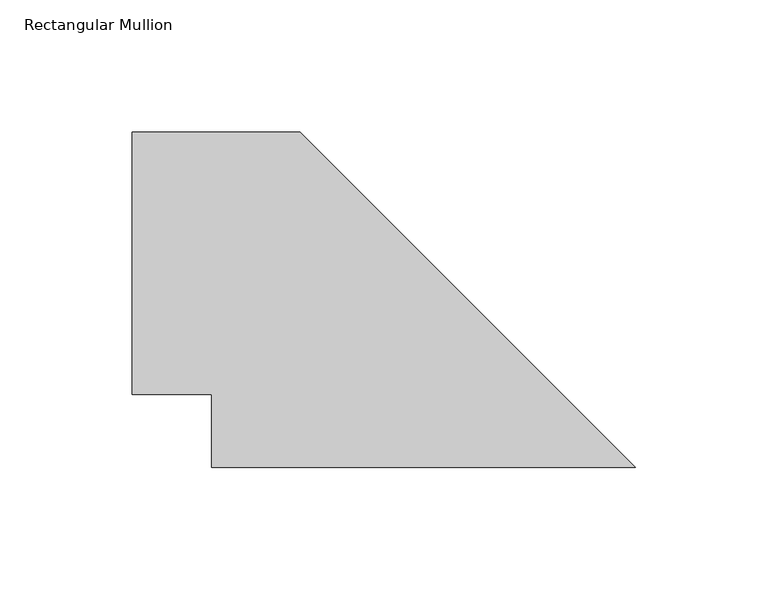
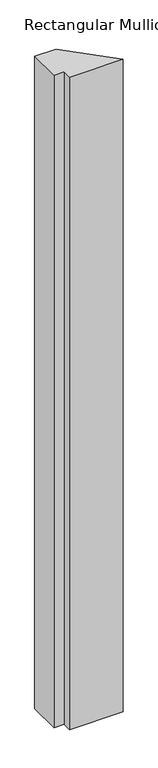
"""IFC4 building model written with IfcOpenShell, lengths in millimetres: member geometry, Rectangular Mullion."""

from ifc_helpers import new_model, si_unit, frame, origin, place, context, project, spatial, polyline, outline, extrude, source, transform, mapped, element, save


def rectangular_mullion_b9290beb(model_context):
    return source(origin(), model_context, "Body", "SweptSolid", [
        extrude(outline(polyline([(-172.0794434, 11.6840047), (-172.0794434, 39.3700047), (-202.1840047, 39.3700047), (-202.1840047, 138.6840047), (-138.6840047, 138.6840047), (-11.6840047, 11.6840047), (-172.0794434, 11.6840047)])), frame((0.0, 0.0, -2057.4000001), z_axis=(0.0, 0.0, 1.0), x_axis=(1.0, 0.0, 0.0)), (0.0, 0.0, 1.0), 2057.4000001),
    ])


if __name__ == "__main__":
    model = new_model("IFC4")
    model_context = context("Model", 3, world=origin())
    ifc_project = project(units=[si_unit("LENGTHUNIT", "METRE", prefix="MILLI")], contexts=[model_context])
    site = spatial("IfcSite", under=ifc_project)
    building = spatial("IfcBuilding", under=site)
    placement = place(None, origin())
    rectangular_mullion_shape = rectangular_mullion_b9290beb(model_context)
    element("IfcMember", 1, ObjectType="Rectangular Mullion", at=placement, inside=building, context=model_context, shape_type="MappedRepresentation", body=[
        mapped(rectangular_mullion_shape, transform((0.0, 0.0, 0.0), x_axis=(1.0, 0.0, 0.0), y_axis=(0.0, 1.0, 0.0), z_axis=(0.0, 0.0, 1.0))),
    ])
    save(model, "model.ifc")
